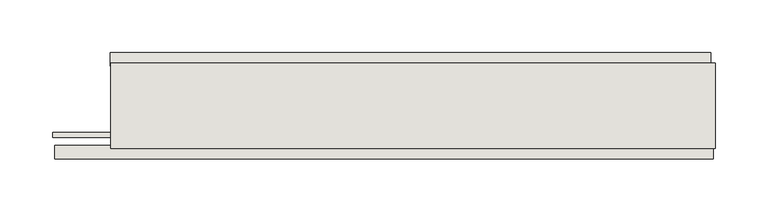
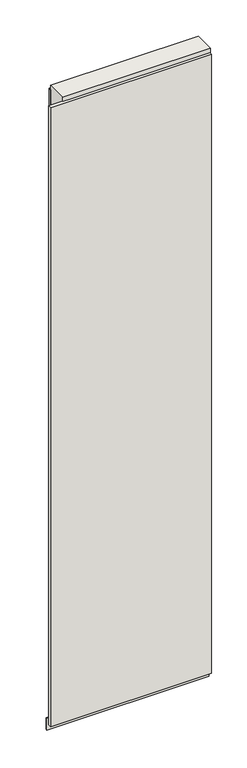
"""IFC4 building model written with IfcOpenShell, lengths in millimetres: wall geometry."""

from ifc_helpers import new_model, si_unit, frame, origin, place, context, project, spatial, polyline, outline, extrude, source, transform, mapped, element, save


def wall_81b555ad(model_context):
    return source(origin(), model_context, "Body", "SweptSolid", [
        extrude(outline(polyline([(69948.599879, -47237.6636398), (69951.139879, -47237.6636398), (69951.139879, -47240.2036398), (69948.599879, -47240.2036398), (69948.599879, -47237.6636398)])), frame((0.0, 0.0, 4419.6), z_axis=(0.0, 0.0, 1.0), x_axis=(1.0, 0.0, 0.0)), (0.0, 0.0, 1.0), 2.54),
        extrude(outline(polyline([(69949.1407212, -47289.7336398), (69321.812588, -47289.7336398), (69321.812588, -47277.0336398), (69949.1407212, -47277.0336398), (69949.1407212, -47289.7336398)])), frame((0.0, 0.0, 4445.0), z_axis=(0.0, 0.0, 1.0), x_axis=(1.0, 0.0, 0.0)), (0.0, 0.0, 1.0), 2545.0498756),
        extrude(outline(polyline([(69374.6517508, -47188.1336398), (69946.6798676, -47188.1336398), (69946.6798676, -47200.8336398), (69374.6517508, -47200.8336398), (69374.6517508, -47188.1336398)])), frame((0.0, 0.0, 6402.8000722), z_axis=(0.0, 0.0, 1.0), x_axis=(1.0, 0.0, 0.0)), (0.0, 0.0, 1.0), 587.2498034),
        extrude(outline(polyline([(69374.6517508, -47188.1336398), (69946.6798676, -47188.1336398), (69946.6798676, -47200.8336398), (69374.6517508, -47200.8336398), (69374.6517508, -47188.1336398)])), frame((0.0, 0.0, 5285.2000722), z_axis=(0.0, 0.0, 1.0), x_axis=(1.0, 0.0, 0.0)), (0.0, 0.0, 1.0), 1113.5999572),
        extrude(outline(polyline([(69374.6517508, -47188.1336398), (69946.6798676, -47188.1336398), (69946.6798676, -47200.8336398), (69374.6517508, -47200.8336398), (69374.6517508, -47188.1336398)])), frame((0.0, 0.0, 4445.0), z_axis=(0.0, 0.0, 1.0), x_axis=(1.0, 0.0, 0.0)), (0.0, 0.0, 1.0), 836.200004),
        extrude(outline(polyline([(69319.7998158, -47264.0142856), (69951.1411236, -47264.0142856), (69951.1411236, -47269.0961398), (69319.7998158, -47269.0961398), (69319.7998158, -47264.0142856)])), frame((0.0, 0.0, 4418.6602), z_axis=(0.0, 0.0, 1.0), x_axis=(1.0, 0.0, 0.0)), (0.0, 0.0, 1.0), 47.625),
        extrude(outline(polyline([(69319.7998158, -47264.0142856), (69951.1411236, -47264.0142856), (69951.1411236, -47269.0961398), (69319.7998158, -47269.0961398), (69319.7998158, -47264.0142856)])), frame((0.0, 0.0, 4418.6602), z_axis=(0.0, 0.0, 1.0), x_axis=(1.0, 0.0, 0.0)), (0.0, 0.0, 1.0), 47.625),
        extrude(outline(polyline([(69951.1411236, -47213.8498952), (69375.120457, -47213.8498952), (69375.120457, -47208.7711398), (69951.1411236, -47208.7711398), (69951.1411236, -47213.8498952)])), frame((0.0, 0.0, 4418.6602), z_axis=(0.0, 0.0, 1.0), x_axis=(1.0, 0.0, 0.0)), (0.0, 0.0, 1.0), 47.625),
        extrude(outline(polyline([(69951.1411236, -47213.8498952), (69375.120457, -47213.8498952), (69375.120457, -47208.7711398), (69951.1411236, -47208.7711398), (69951.1411236, -47213.8498952)])), frame((0.0, 0.0, 4418.6602), z_axis=(0.0, 0.0, 1.0), x_axis=(1.0, 0.0, 0.0)), (0.0, 0.0, 1.0), 47.625),
        extrude(outline(polyline([(69375.120457, -47279.5854254), (69375.120457, -47198.30667), (69951.1411236, -47198.30667), (69951.1411236, -47279.5854254), (69375.120457, -47279.5854254)])), frame((0.0, 0.0, 4445.0), z_axis=(0.0, 0.0, 1.0), x_axis=(1.0, 0.0, 0.0)), (0.0, 0.0, 1.0), 2562.4536762),
    ])


if __name__ == "__main__":
    model = new_model("IFC4")
    model_context = context("Model", 3, world=origin())
    ifc_project = project(units=[si_unit("LENGTHUNIT", "METRE", prefix="MILLI")], contexts=[model_context])
    site = spatial("IfcSite", under=ifc_project)
    building = spatial("IfcBuilding", under=site)
    placement = place(None, origin())
    wall_shape = wall_81b555ad(model_context)
    element("IfcWall", 1, at=placement, inside=building, context=model_context, shape_type="MappedRepresentation", body=[
        mapped(wall_shape, transform((0.0, 0.0, 0.0), x_axis=(1.0, 0.0, 0.0), y_axis=(0.0, 1.0, 0.0), z_axis=(0.0, 0.0, 1.0))),
    ])
    save(model, "model.ifc")
